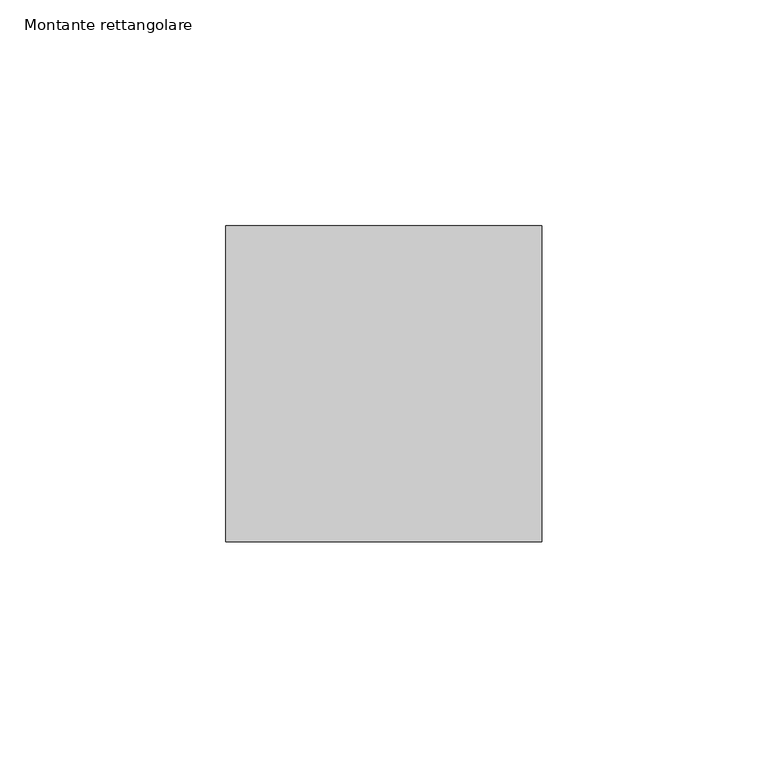
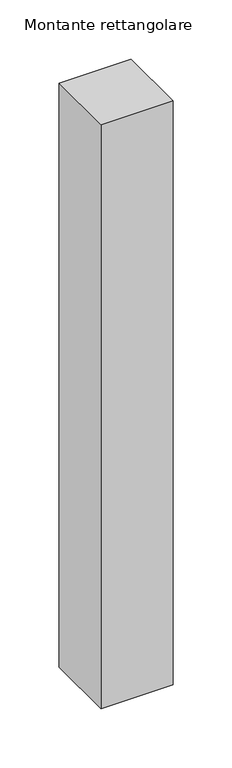
"""IFC4 building model written with IfcOpenShell, lengths in millimetres: member geometry, Montante rettangolare."""

from ifc_helpers import new_model, si_unit, frame, origin, place, context, project, spatial, polyline, outline, extrude, source, transform, mapped, element, save


def montante_rettangolare_a6e939e7(model_context):
    return source(origin(), model_context, "Body", "SweptSolid", [
        extrude(outline(polyline([(0.0, 35.0), (0.0, -35.0), (-70.0, -35.0), (-70.0, 35.0), (0.0, 35.0)])), frame((0.0, 0.0, -599.8361775), z_axis=(0.0, 0.0, 1.0), x_axis=(1.0, 0.0, 0.0)), (0.0, 0.0, 1.0), 599.8361775),
    ])


if __name__ == "__main__":
    model = new_model("IFC4")
    model_context = context("Model", 3, world=origin())
    ifc_project = project(units=[si_unit("LENGTHUNIT", "METRE", prefix="MILLI")], contexts=[model_context])
    site = spatial("IfcSite", under=ifc_project)
    building = spatial("IfcBuilding", under=site)
    placement = place(None, origin())
    montante_rettangolare_shape = montante_rettangolare_a6e939e7(model_context)
    element("IfcMember", 1, ObjectType="Montante rettangolare", at=placement, inside=building, context=model_context, shape_type="MappedRepresentation", body=[
        mapped(montante_rettangolare_shape, transform((0.0, 0.0, 0.0), x_axis=(1.0, 0.0, 0.0), y_axis=(0.0, 1.0, 0.0), z_axis=(0.0, 0.0, 1.0))),
    ])
    save(model, "model.ifc")
